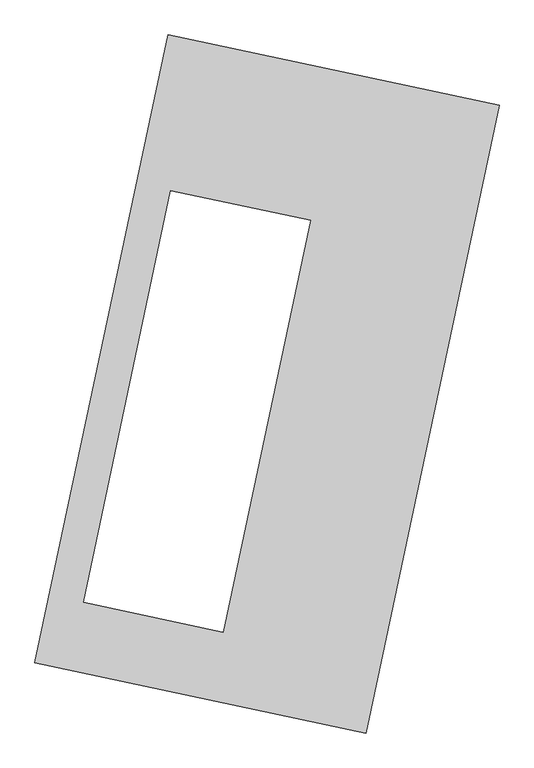
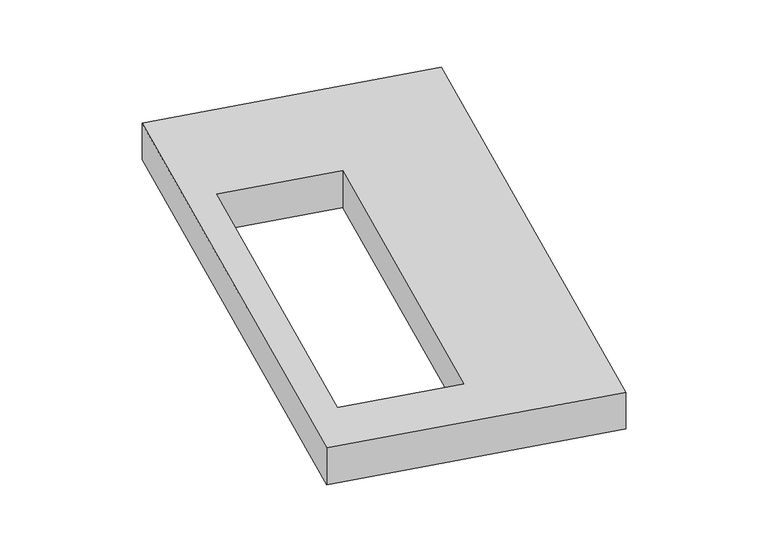
"""IFC4 building model written with IfcOpenShell, lengths in millimetres: proxy geometry."""

from ifc_helpers import new_model, si_unit, origin, origin_with_axes, place, context, project, spatial, polyline, outline, extrude, source, transform, mapped, element, save


def generic_models_ab16fc4e(model_context):
    return source(origin(), model_context, "Body", "SweptSolid", [
        extrude(outline(polyline([(-617.3692021, 2175.5580432), (1447.7508745, 1737.3010494), (617.3692021, -2175.5580432), (-1447.7508745, -1737.3010494), (-617.3692021, 2175.5580432)]), holes=[polyline([(270.1156202, 1019.3719371), (-599.7659923, 1203.9770382), (-1144.211427, -1361.5158438), (-274.3298146, -1546.1209448), (270.1156202, 1019.3719371)])]), origin_with_axes(), (0.0, 0.0, 1.0), 300.0),
    ])


if __name__ == "__main__":
    model = new_model("IFC4")
    model_context = context("Model", 3, world=origin())
    ifc_project = project(units=[si_unit("LENGTHUNIT", "METRE", prefix="MILLI")], contexts=[model_context])
    site = spatial("IfcSite", under=ifc_project)
    building = spatial("IfcBuilding", under=site)
    placement = place(None, origin())
    generic_models_shape = generic_models_ab16fc4e(model_context)
    element("IfcBuildingElementProxy", 1, Name="Generic Models", at=placement, inside=building, context=model_context, shape_type="MappedRepresentation", body=[
        mapped(generic_models_shape, transform((0.0, 0.0, 0.0), x_axis=(1.0, 0.0, 0.0), y_axis=(0.0, 1.0, 0.0), z_axis=(0.0, 0.0, 1.0))),
    ])
    save(model, "model.ifc")
